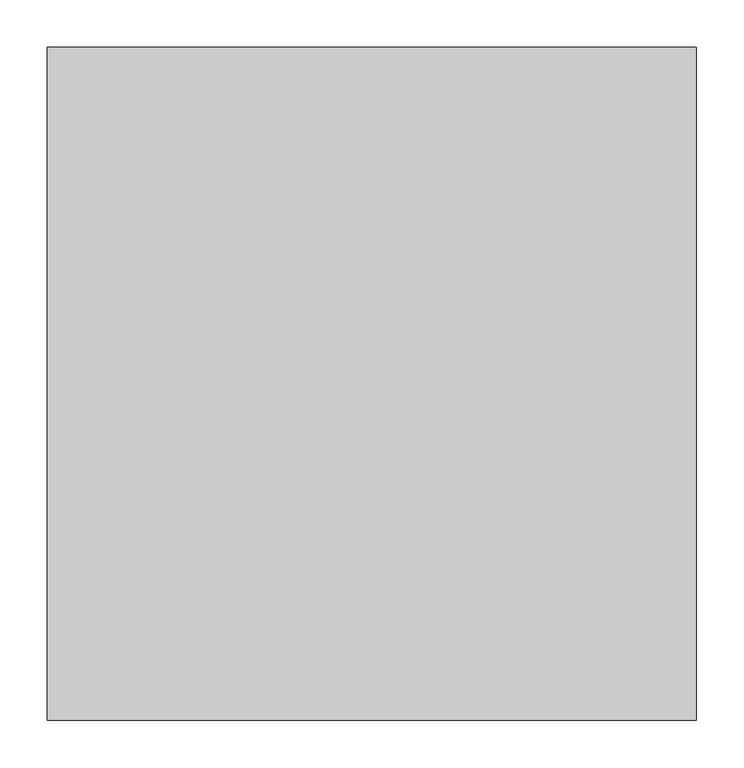
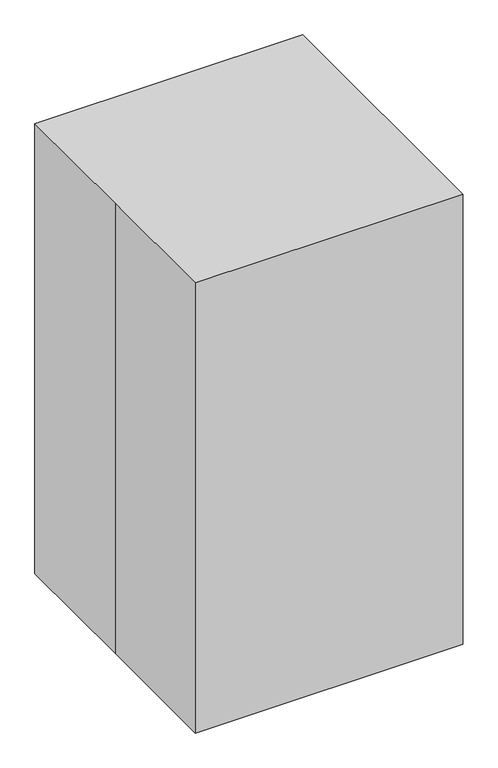
"""IFC4 building model written with IfcOpenShell, lengths in millimetres: proxy geometry."""

from ifc_helpers import new_model, si_unit, point, frame, frame_2d, origin, origin_with_axes, place, context, project, spatial, polyline, circle_curve, ellipse_curve, trimmed, segment, composite_curve, outline, extrude, source, transform, mapped, element, save
from ifc_brep_helpers import plane_surface, cylinder_surface, revolved_surface, advanced_brep


def specialty_equipment_aaf97892(model_context):
    return source(origin(), model_context, "Body", "SolidModel", [
        extrude(outline(composite_curve([segment(trimmed(circle_curve(frame_2d((226.3296372, 201.536958)), 9.4704283), [point((233.4770602, 207.750118))], [point((219.1822143, 195.323798))], False, "CARTESIAN"), True, "CONTINUOUS"), segment(trimmed(circle_curve(frame_2d((226.3296372, 201.536958)), 9.4704283), [point((219.1822143, 195.323798))], [point((233.4770602, 207.750118))], False, "CARTESIAN"), True, "CONTINUOUS")], self_intersect=False)), frame((0.0, 0.0, 24.010186), z_axis=(0.0, 0.0, 1.0), x_axis=(1.0, 0.0, 0.0)), (0.0, 0.0, 1.0), 49.9089859),
        extrude(outline(composite_curve([segment(trimmed(circle_curve(frame_2d((0.0, -22.5683942)), 22.5683942), [point((0.0, -45.1367883))], [point((0.0, 0.0))], False, "CARTESIAN"), True, "CONTINUOUS"), segment(trimmed(circle_curve(frame_2d((0.0, -22.5683942)), 22.5683942), [point((0.0, 0.0))], [point((0.0, -45.1367883))], False, "CARTESIAN"), True, "CONTINUOUS")], self_intersect=False)), frame((240.9943796, -127.723774, 22.3266274), z_axis=(0.42261826174071043, 0.9063077870366449, 0.0), x_axis=(0.0, 0.0, -1.0)), (0.0, 0.0, 1.0), 28.170451),
        extrude(outline(composite_curve([segment(trimmed(circle_curve(frame_2d((269.6357767, -126.5957397)), 9.4704283), [point((278.2188997, -130.5981156))], [point((261.0526538, -122.5933637))], False, "CARTESIAN"), True, "CONTINUOUS"), segment(trimmed(circle_curve(frame_2d((269.6357767, -126.5957397)), 9.4704283), [point((261.0526538, -122.5933637))], [point((278.2188997, -130.5981156))], False, "CARTESIAN"), True, "CONTINUOUS")], self_intersect=False)), frame((0.0, 0.0, 24.010186), z_axis=(0.0, 0.0, 1.0), x_axis=(1.0, 0.0, 0.0)), (0.0, 0.0, 1.0), 49.9089859),
        extrude(outline(composite_curve([segment(trimmed(circle_curve(frame_2d((-0.2145371, 0.3834714)), 25.4), [point((25.1854629, 0.3834714))], [point((-25.6145371, 0.3834714))], False, "CARTESIAN"), True, "CONTINUOUS"), segment(trimmed(circle_curve(frame_2d((-0.2145371, 0.3834714)), 25.4), [point((-25.6145371, 0.3834714))], [point((25.1854629, 0.3834714))], False, "CARTESIAN"), True, "CONTINUOUS")], self_intersect=False)), frame((0.0, 0.0, 154.0271692), z_axis=(0.0, 0.0, 1.0), x_axis=(1.0, 0.0, 0.0)), (0.0, 0.0, 1.0), 58.7215752),
        extrude(outline(composite_curve([segment(polyline([(-200.1377573, -173.8554076), (-200.1377573, 183.0901052)]), True, "CONTINUOUS"), segment(trimmed(circle_curve(frame_2d((-173.3922445, 183.0901052)), 26.7455128), [point((-200.1377573, 183.0901052))], [point((-173.3922445, 209.835618))], False, "CARTESIAN"), True, "CONTINUOUS"), segment(polyline([(-173.3922445, 209.835618), (182.2077555, 209.835618)]), True, "CONTINUOUS"), segment(trimmed(circle_curve(frame_2d((182.2077555, 183.0901052)), 26.7455128), [point((182.2077555, 209.835618))], [point((208.9532683, 183.0901052))], False, "CARTESIAN"), True, "CONTINUOUS"), segment(polyline([(208.9532683, 183.0901052), (208.9532683, -173.8554076), (-200.1377573, -173.8554076)]), True, "CONTINUOUS")], self_intersect=False)), frame((0.0, 0.0, 673.2940254), z_axis=(0.0, 0.0, 1.0), x_axis=(1.0, 0.0, 0.0)), (0.0, 0.0, 1.0), 67.8491407),
        advanced_brep(
        [(-200.1377573, -172.5098948, 741.1431661), (-198.7922445, -173.8554076, 741.1431661), (-198.7922445, -173.8554076, 673.2940254), (-200.1377573, -172.5098948, 673.2940254), (-200.1377573, 183.0901052, 673.2940254), (-200.1377573, 183.0901052, 741.1431661), (-173.3922445, 209.835618, 741.1431661), (-173.3922445, 209.835618, 673.2940254), (182.2077555, 209.835618, 673.2940254), (182.2077555, 209.835618, 741.1431661), (208.9532683, 183.0901052, 741.1431661), (208.9532683, 183.0901052, 673.2940254), (208.9532683, -172.5098948, 673.2940254), (208.9532683, -172.5098948, 741.1431661), (207.6077555, -173.8554076, 741.1431661), (207.6077555, -173.8554076, 673.2940254)],
        [
            (0, 1, circle_curve(frame((-198.7922445, -172.5098948, 741.1431661), z_axis=(0.0, 0.0, 1.0), x_axis=(0.0, -1.0, 0.0)), 1.3455128)),
            (1, 2),
            (2, 3, circle_curve(frame((-198.7922445, -172.5098948, 673.2940254), z_axis=(0.0, 0.0, -1.0), x_axis=(0.0, -1.0, 0.0)), 1.3455128)),
            (3, 0),
            (2, 1, circle_curve(frame((-198.7922445, -173.8554076, 707.2185958), z_axis=(-1.0, 0.0, 0.0), x_axis=(0.0, 1.0, 0.0)), 33.9245703)),
            (0, 3, circle_curve(frame((-200.1377573, -172.5098948, 707.2185958), z_axis=(0.0, -1.0, 0.0), x_axis=(1.0, 0.0, 0.0)), 33.9245703)),
            (3, 4),
            (4, 5),
            (5, 0),
            (5, 4, circle_curve(frame((-200.1377573, 183.0901052, 707.2185958), z_axis=(0.0, -1.0, 0.0), x_axis=(1.0, 0.0, 0.0)), 33.9245703)),
            (6, 5, circle_curve(frame((-173.3922445, 183.0901052, 741.1431661), z_axis=(0.0, 0.0, 1.0), x_axis=(-1.0, 0.0, 0.0)), 26.7455128)),
            (4, 7, circle_curve(frame((-173.3922445, 183.0901052, 673.2940254), z_axis=(0.0, 0.0, -1.0), x_axis=(-1.0, 0.0, 0.0)), 26.7455128)),
            (7, 6),
            (6, 7, circle_curve(frame((-173.3922445, 209.835618, 707.2185958), z_axis=(-1.0, 0.0, 0.0), x_axis=(0.0, -1.0, 0.0)), 33.9245703)),
            (7, 8),
            (8, 9),
            (9, 6),
            (9, 8, circle_curve(frame((182.2077555, 209.835618, 707.2185958), z_axis=(-1.0, 0.0, 0.0), x_axis=(0.0, -1.0, 0.0)), 33.9245703)),
            (10, 9, circle_curve(frame((182.2077555, 183.0901052, 741.1431661), z_axis=(0.0, 0.0, 1.0), x_axis=(0.0, 1.0, 0.0)), 26.7455128)),
            (8, 11, circle_curve(frame((182.2077555, 183.0901052, 673.2940254), z_axis=(0.0, 0.0, -1.0), x_axis=(0.0, 1.0, 0.0)), 26.7455128)),
            (11, 10),
            (10, 11, circle_curve(frame((208.9532683, 183.0901052, 707.2185958), z_axis=(0.0, 1.0, 0.0), x_axis=(-1.0, 0.0, 0.0)), 33.9245703)),
            (11, 12),
            (12, 13),
            (13, 10),
            (13, 12, circle_curve(frame((208.9532683, -172.5098948, 707.2185958), z_axis=(0.0, 1.0, 0.0), x_axis=(-1.0, 0.0, 0.0)), 33.9245703)),
            (14, 13, circle_curve(frame((207.6077555, -172.5098948, 741.1431661), z_axis=(0.0, 0.0, 1.0), x_axis=(1.0, 0.0, 0.0)), 1.3455128)),
            (12, 15, circle_curve(frame((207.6077555, -172.5098948, 673.2940254), z_axis=(0.0, 0.0, -1.0), x_axis=(1.0, 0.0, 0.0)), 1.3455128)),
            (15, 14),
            (14, 15, circle_curve(frame((207.6077555, -173.8554076, 707.2185958), z_axis=(1.0, 0.0, 0.0), x_axis=(0.0, 1.0, 0.0)), 33.9245703)),
            (15, 2),
            (1, 14),
        ],
        [
            revolved_surface(polyline([(-198.7922445, -173.8554076, 673.2940254), (-198.7922445, -173.8554076, 741.1431661)]), (-198.7922445, -172.5098948, 349.25), (0.0, 0.0, -1.0)),
            revolved_surface(trimmed(ellipse_curve(frame((-198.7922445, -173.8554076, 707.2185958), z_axis=(1.0, 0.0, 0.0), x_axis=(0.0, 1.0, 0.0)), 33.9245703, 33.9245703), [point((-198.7922445, -173.8554076, 741.1431661))], [point((-198.7922445, -173.8554076, 673.2940254))], True, "CARTESIAN"), (-198.7922445, -172.5098948, 349.25), (0.0, 0.0, -1.0)),
            plane_surface(frame((-200.1377573, -172.5098948, 673.2940254), z_axis=(1.0, 0.0, 0.0), x_axis=(0.0, 1.0, 0.0))),
            cylinder_surface(frame((-200.1377573, -172.5098948, 707.2185958), z_axis=(0.0, -1.0, 0.0), x_axis=(1.0, 0.0, 0.0)), 33.9245703),
            revolved_surface(polyline([(-200.1377573, 183.0901052, 673.2940254), (-200.1377573, 183.0901052, 741.1431661)]), (-173.3922445, 183.0901052, 349.25), (0.0, 0.0, -1.0)),
            revolved_surface(trimmed(ellipse_curve(frame((-200.1377573, 183.0901052, 707.2185958), z_axis=(0.0, -1.0, 0.0), x_axis=(1.0, 0.0, 0.0)), 33.9245703, 33.9245703), [point((-200.1377573, 183.0901052, 741.1431661))], [point((-200.1377573, 183.0901052, 673.2940254))], True, "CARTESIAN"), (-173.3922445, 183.0901052, 349.25), (0.0, 0.0, -1.0)),
            plane_surface(frame((-173.3922445, 209.835618, 673.2940254), z_axis=(0.0, -1.0, 0.0), x_axis=(1.0, 0.0, 0.0))),
            cylinder_surface(frame((-173.3922445, 209.835618, 707.2185958), z_axis=(-1.0, 0.0, 0.0), x_axis=(0.0, -1.0, 0.0)), 33.9245703),
            revolved_surface(polyline([(182.2077555, 209.835618, 673.2940254), (182.2077555, 209.835618, 741.1431661)]), (182.2077555, 183.0901052, 349.25), (0.0, 0.0, -1.0)),
            revolved_surface(trimmed(ellipse_curve(frame((182.2077555, 209.835618, 707.2185958), z_axis=(-1.0, 0.0, 0.0), x_axis=(0.0, -1.0, 0.0)), 33.9245703, 33.9245703), [point((182.2077555, 209.835618, 741.1431661))], [point((182.2077555, 209.835618, 673.2940254))], True, "CARTESIAN"), (182.2077555, 183.0901052, 349.25), (0.0, 0.0, -1.0)),
            plane_surface(frame((208.9532683, 183.0901052, 673.2940254), z_axis=(-1.0, 0.0, 0.0), x_axis=(0.0, -1.0, 0.0))),
            cylinder_surface(frame((208.9532683, 183.0901052, 707.2185958), z_axis=(0.0, 1.0, 0.0), x_axis=(-1.0, 0.0, 0.0)), 33.9245703),
            revolved_surface(polyline([(208.9532683, -172.5098948, 673.2940254), (208.9532683, -172.5098948, 741.1431661)]), (207.6077555, -172.5098948, 349.25), (0.0, 0.0, -1.0)),
            revolved_surface(trimmed(ellipse_curve(frame((208.9532683, -172.5098948, 707.2185958), z_axis=(0.0, 1.0, 0.0), x_axis=(-1.0, 0.0, 0.0)), 33.9245703, 33.9245703), [point((208.9532683, -172.5098948, 741.1431661))], [point((208.9532683, -172.5098948, 673.2940254))], True, "CARTESIAN"), (207.6077555, -172.5098948, 349.25), (0.0, 0.0, -1.0)),
            plane_surface(frame((207.6077555, -173.8554076, 673.2940254), z_axis=(0.0, 1.0, 0.0), x_axis=(-1.0, 0.0, 0.0))),
            cylinder_surface(frame((207.6077555, -173.8554076, 707.2185958), z_axis=(1.0, 0.0, 0.0), x_axis=(0.0, 1.0, 0.0)), 33.9245703),
        ],
        [
            (0, [[1, 2, 3, 4]]),
            (1, [[-3, 5, -1, 6]]),
            (2, [[-4, 7, 8, 9]]),
            (3, [[-6, -9, 10, -7]]),
            (4, [[11, -8, 12, 13]]),
            (5, [[-12, -10, -11, 14]]),
            (6, [[-13, 15, 16, 17]]),
            (7, [[-14, -17, 18, -15]]),
            (8, [[19, -16, 20, 21]]),
            (9, [[-20, -18, -19, 22]]),
            (10, [[-21, 23, 24, 25]]),
            (11, [[-22, -25, 26, -23]]),
            (12, [[27, -24, 28, 29]]),
            (13, [[-28, -26, -27, 30]]),
            (14, [[-29, 31, -2, 32]]),
            (15, [[-30, -32, -5, -31]]),
        ],
    ),
        extrude(outline(composite_curve([segment(trimmed(circle_curve(frame_2d((0.2419957, 0.182522)), 12.7), [point((12.9419957, 0.182522))], [point((-12.4580043, 0.182522))], False, "CARTESIAN"), True, "CONTINUOUS"), segment(trimmed(circle_curve(frame_2d((0.2419957, 0.182522)), 12.7), [point((-12.4580043, 0.182522))], [point((12.9419957, 0.182522))], False, "CARTESIAN"), True, "CONTINUOUS")], self_intersect=False)), frame((0.0, 0.0, 212.7487443), z_axis=(0.0, 0.0, 1.0), x_axis=(1.0, 0.0, 0.0)), (0.0, 0.0, 1.0), 415.467703),
        extrude(outline(polyline([(-342.9, 355.6), (342.9, 355.6), (342.9, -355.6), (-342.9, -355.6), (-342.9, 0.0), (-342.9, 355.6)])), origin_with_axes(), (0.0, 0.0, 1.0), 1219.2),
    ])


if __name__ == "__main__":
    model = new_model("IFC4")
    model_context = context("Model", 3, world=origin())
    ifc_project = project(units=[si_unit("LENGTHUNIT", "METRE", prefix="MILLI")], contexts=[model_context])
    site = spatial("IfcSite", under=ifc_project)
    building = spatial("IfcBuilding", under=site)
    placement = place(None, origin())
    specialty_equipment_shape = specialty_equipment_aaf97892(model_context)
    element("IfcBuildingElementProxy", 1, Name="Specialty Equipment", at=placement, inside=building, context=model_context, shape_type="MappedRepresentation", body=[
        mapped(specialty_equipment_shape, transform((0.0, 0.0, 0.0), x_axis=(1.0, 0.0, 0.0), y_axis=(0.0, 1.0, 0.0), z_axis=(0.0, 0.0, 1.0))),
    ])
    save(model, "model.ifc")
